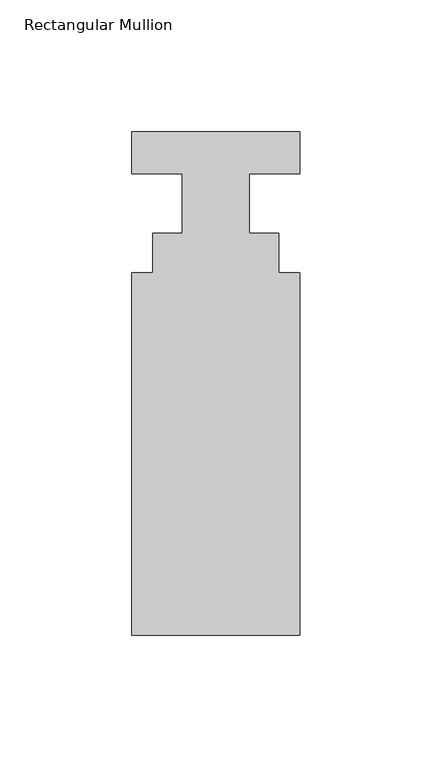
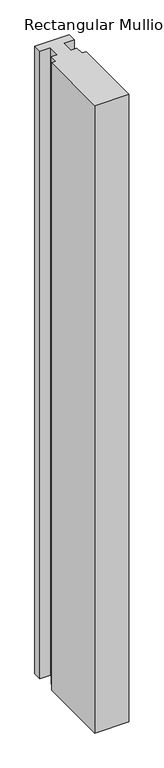
"""IFC4 building model written with IfcOpenShell, lengths in millimetres: member geometry, Rectangular Mullion."""

from ifc_helpers import new_model, si_unit, frame, origin, place, context, project, spatial, polyline, outline, extrude, source, transform, mapped, element, save


def rectangular_mullion_49548424(model_context):
    return source(origin(), model_context, "Body", "SweptSolid", [
        extrude(outline(polyline([(31.75, -190.4007813), (-31.75, -190.4007813), (-31.75, -53.0629812), (-23.8252, -53.0629812), (-23.8252, -38.0007812), (-12.7, -38.0007813), (-12.7, -15.5217813), (-31.75, -15.5217813), (-31.75, 0.3532187), (31.75, 0.3532187), (31.75, -15.5217813), (12.7, -15.5217813), (12.7, -38.0007812), (23.8252, -38.0007813), (23.8252, -53.0629813), (31.75, -53.0629813), (31.75, -190.4007813)])), frame((0.0, 0.0, -1225.027333), z_axis=(0.0, 0.0, 1.0), x_axis=(1.0, 0.0, 0.0)), (0.0, 0.0, 1.0), 1225.027333),
    ])


if __name__ == "__main__":
    model = new_model("IFC4")
    model_context = context("Model", 3, world=origin())
    ifc_project = project(units=[si_unit("LENGTHUNIT", "METRE", prefix="MILLI")], contexts=[model_context])
    site = spatial("IfcSite", under=ifc_project)
    building = spatial("IfcBuilding", under=site)
    placement = place(None, origin())
    rectangular_mullion_shape = rectangular_mullion_49548424(model_context)
    element("IfcMember", 1, ObjectType="Rectangular Mullion", at=placement, inside=building, context=model_context, shape_type="MappedRepresentation", body=[
        mapped(rectangular_mullion_shape, transform((0.0, 0.0, 0.0), x_axis=(1.0, 0.0, 0.0), y_axis=(0.0, 1.0, 0.0), z_axis=(0.0, 0.0, 1.0))),
    ])
    save(model, "model.ifc")
